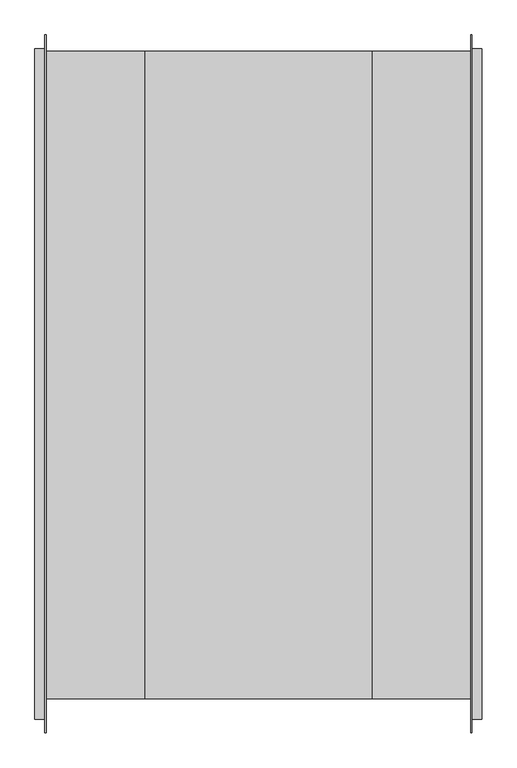
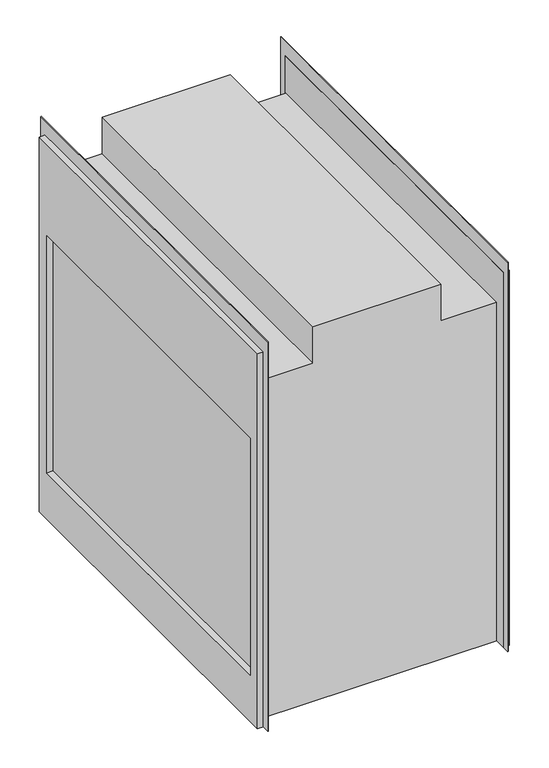
"""IFC4 building model written with IfcOpenShell, lengths in millimetres: proxy geometry."""

from ifc_helpers import new_model, si_unit, frame, origin, place, context, project, spatial, polyline, outline, extrude, faceted_brep, source, transform, mapped, element, save


def generic_models_5d01a203(model_context):
    return source(origin(), model_context, "Body", "SolidModel", [
        extrude(outline(polyline([(-29.0004611, 1006.475), (929.849565, 1006.475), (929.849565, 0.0), (-29.0004611, 0.0), (-29.0004611, 1006.475)]), holes=[polyline([(2.749552, 760.4125), (2.749552, 123.825), (898.099552, 123.825), (898.099552, 760.4125), (2.749552, 760.4125)])]), frame((304.0761054, 0.0, 0.0), z_axis=(1.0, 0.0, 0.0), x_axis=(0.0, 1.0, 0.0)), (0.0, 0.0, 1.0), 15.8495903),
        extrude(outline(polyline([(-29.0004611, 1006.475), (929.849565, 1006.475), (929.849565, 0.0), (-29.0004611, 0.0), (-29.0004611, 1006.475)]), holes=[polyline([(2.749552, 760.4125), (2.749552, 123.825), (898.099552, 123.825), (898.099552, 760.4125), (2.749552, 760.4125)])]), frame((-319.9256957, 0.0, 0.0), z_axis=(1.0, 0.0, 0.0), x_axis=(0.0, 1.0, 0.0)), (0.0, 0.0, 1.0), 15.8495903),
        faceted_brep([(162.3059958, 0.0, 1006.475), (162.3059958, 926.6555011, 1006.475), (-162.3059958, 926.6555011, 1006.475), (-162.3059958, 0.0, 1006.475), (304.0761054, 949.6615529, 0.0), (305.6636054, 949.6615529, 0.0), (305.6636054, -48.812449, 0.0), (304.0761054, -48.812449, 0.0), (304.0761054, 0.0, 0.0), (-304.0761054, 0.0, 0.0), (-304.0761054, -48.812449, 0.0), (-305.6636054, -48.812449, 0.0), (-305.6636054, 949.6615529, 0.0), (-304.0761054, 949.6615529, 0.0), (-304.0761054, 926.6555011, 0.0), (304.0761054, 926.6555011, 0.0), (-162.3059958, 0.0, 908.05), (-304.0761054, 0.0, 908.05), (304.0761054, 0.0, 908.05), (162.3059958, 0.0, 908.05), (162.3059958, 926.6555011, 908.05), (304.0761054, 926.6555011, 908.05), (-304.0761054, 926.6555011, 908.05), (-162.3059958, 926.6555011, 908.05), (304.0761054, -48.812449, 1044.575), (305.6636054, -48.812449, 1044.575), (305.6636054, 949.6615529, 1044.575), (304.0761054, 949.6615529, 1044.575), (-304.0761054, -48.812449, 1044.575), (-304.0761054, 949.6615529, 1044.575), (-305.6636054, 949.6615529, 1044.575), (-305.6636054, -48.812449, 1044.575), (305.6636054, 2.749552, 123.825), (305.6636054, 2.749552, 760.4125), (305.6636054, 898.099552, 760.4125), (305.6636054, 898.099552, 123.825), (-305.6636054, 2.749552, 760.4125), (-305.6636054, 2.749552, 123.825), (-305.6636054, 898.099552, 123.825), (-305.6636054, 898.099552, 760.4125), (304.0761054, 2.749552, 760.4125), (304.0761054, 2.749552, 123.825), (304.0761054, 898.099552, 123.825), (304.0761054, 898.099552, 760.4125), (-304.0761054, 2.749552, 760.4125), (-304.0761054, 898.099552, 760.4125), (-304.0761054, 898.099552, 123.825), (-304.0761054, 2.749552, 123.825)], [[[0, 1, 2, 3]], [[4, 5, 6, 7, 8, 9, 10, 11, 12, 13, 14, 15]], [[0, 3, 16, 17, 9, 8, 18, 19]], [[1, 0, 19, 20]], [[2, 1, 20, 21, 15, 14, 22, 23]], [[3, 2, 23, 16]], [[24, 25, 26, 27]], [[28, 29, 30, 31]], [[24, 27, 4, 15, 21, 18, 8, 7]], [[17, 16, 23, 22]], [[19, 18, 21, 20]], [[25, 24, 7, 6]], [[26, 25, 6, 5], [32, 33, 34, 35]], [[27, 26, 5, 4]], [[29, 28, 10, 9, 17, 22, 14, 13]], [[30, 29, 13, 12]], [[31, 30, 12, 11], [36, 37, 38, 39]], [[28, 31, 11, 10]], [[40, 41, 42, 43]], [[41, 40, 33, 32]], [[42, 41, 32, 35]], [[43, 42, 35, 34]], [[40, 43, 34, 33]], [[44, 45, 46, 47]], [[44, 47, 37, 36]], [[47, 46, 38, 37]], [[46, 45, 39, 38]], [[45, 44, 36, 39]]]),
    ])


if __name__ == "__main__":
    model = new_model("IFC4")
    model_context = context("Model", 3, world=origin())
    ifc_project = project(units=[si_unit("LENGTHUNIT", "METRE", prefix="MILLI")], contexts=[model_context])
    site = spatial("IfcSite", under=ifc_project)
    building = spatial("IfcBuilding", under=site)
    placement = place(None, origin())
    generic_models_shape = generic_models_5d01a203(model_context)
    element("IfcBuildingElementProxy", 1, Name="Generic Models", at=placement, inside=building, context=model_context, shape_type="MappedRepresentation", body=[
        mapped(generic_models_shape, transform((0.0, 0.0, 0.0), x_axis=(1.0, 0.0, 0.0), y_axis=(0.0, 1.0, 0.0), z_axis=(0.0, 0.0, 1.0))),
    ])
    save(model, "model.ifc")
